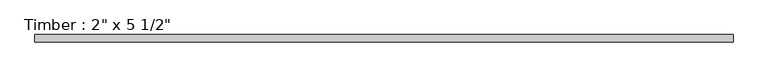
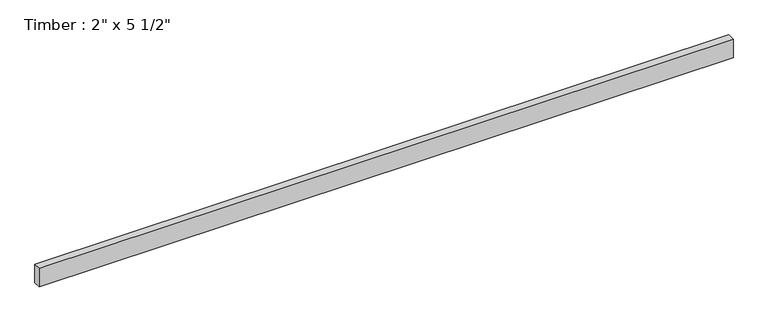
"""IFC4 building model written with IfcOpenShell, lengths in millimetres: beam geometry."""

from ifc_helpers import new_model, si_unit, frame, origin, place, context, project, spatial, polyline, outline, extrude, source, transform, mapped, element, save


def beam_931835e7(model_context):
    return source(origin(), model_context, "Body", "SweptSolid", [
        extrude(outline(polyline([(2464.4308649, 25.4), (2464.4308649, -25.4), (-2464.4308649, -25.4), (-2464.4308649, 25.4), (2464.4308649, 25.4)])), frame((0.0, 0.0, -69.85), z_axis=(0.0, 0.0, 1.0), x_axis=(1.0, 0.0, 0.0)), (0.0, 0.0, 1.0), 139.7),
    ])


if __name__ == "__main__":
    model = new_model("IFC4")
    model_context = context("Model", 3, world=origin())
    ifc_project = project(units=[si_unit("LENGTHUNIT", "METRE", prefix="MILLI")], contexts=[model_context])
    site = spatial("IfcSite", under=ifc_project)
    building = spatial("IfcBuilding", under=site)
    placement = place(None, origin())
    beam_shape = beam_931835e7(model_context)
    element("IfcBeam", 1, ObjectType="Timber : 2\" x 5 1/2\"", at=placement, inside=building, context=model_context, shape_type="MappedRepresentation", body=[
        mapped(beam_shape, transform((0.0, 0.0, 0.0), x_axis=(1.0, 0.0, 0.0), y_axis=(0.0, 1.0, 0.0), z_axis=(0.0, 0.0, 1.0))),
    ])
    save(model, "model.ifc")
